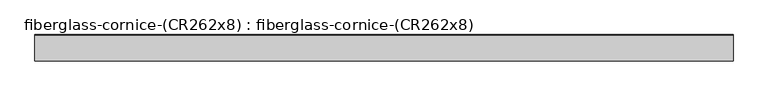
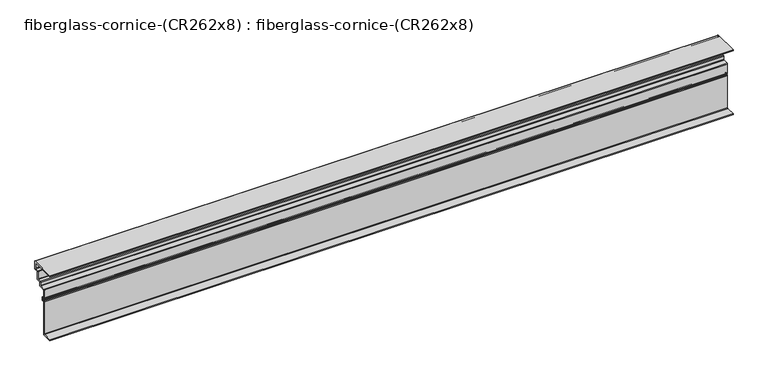
"""IFC4 building model written with IfcOpenShell, lengths in millimetres: furniture geometry, fiberglass-cornice-(CR262x8) : fiberglass-cornice-(CR262x8)."""

from ifc_helpers import new_model, si_unit, point, frame, frame_2d, origin, place, context, project, spatial, polyline, circle_curve, trimmed, segment, composite_curve, outline, extrude, source, transform, mapped, element, save


def fiberglass_cornice_cr262x8_fiberglass_cornice_cr262x8_18acdc97(model_context):
    return source(origin(), model_context, "Body", "SweptSolid", [
        extrude(outline(composite_curve([segment(polyline([(101.6, 323.8499904), (101.6, 330.1999904), (250.825, 330.1999904)]), True, "CONTINUOUS"), segment(trimmed(circle_curve(frame_2d((250.825, 327.0249904)), 3.175), [point((250.825, 330.1999904))], [point((254.0, 327.0249904))], False, "CARTESIAN"), True, "CONTINUOUS"), segment(polyline([(254.0, 327.0249904), (254.0, 282.5749904)]), True, "CONTINUOUS"), segment(trimmed(circle_curve(frame_2d((250.825, 282.5749904)), 3.175), [point((254.0, 282.5749904))], [point((250.825, 279.3999904))], False, "CARTESIAN"), True, "CONTINUOUS"), segment(polyline([(250.825, 279.3999904), (231.775, 279.3999904)]), True, "CONTINUOUS"), segment(trimmed(circle_curve(frame_2d((231.775, 276.2249904)), 3.175), [point((231.775, 279.3999904))], [point((228.6, 276.2249904))], True, "CARTESIAN"), True, "CONTINUOUS"), segment(polyline([(228.6, 276.2249904), (228.6, 231.7749904)]), True, "CONTINUOUS"), segment(trimmed(circle_curve(frame_2d((225.425, 231.7749904)), 3.175), [point((228.6, 231.7749904))], [point((225.425, 228.5999904))], False, "CARTESIAN"), True, "CONTINUOUS"), segment(polyline([(225.425, 228.5999904), (206.375, 228.5999904)]), True, "CONTINUOUS"), segment(trimmed(circle_curve(frame_2d((206.375, 225.4249904)), 3.175), [point((206.375, 228.5999904))], [point((203.2, 225.4249904))], True, "CARTESIAN"), True, "CONTINUOUS"), segment(polyline([(203.2, 225.4249904), (203.2, 206.3749904)]), True, "CONTINUOUS"), segment(trimmed(circle_curve(frame_2d((200.025, 206.3749904)), 3.175), [point((203.2, 206.3749904))], [point((200.025, 203.1999904))], False, "CARTESIAN"), True, "CONTINUOUS"), segment(polyline([(200.025, 203.1999904), (168.275, 203.1999904)]), True, "CONTINUOUS"), segment(trimmed(circle_curve(frame_2d((168.275, 200.0249904)), 3.175), [point((168.275, 203.1999904))], [point((165.1, 200.0249904))], True, "CARTESIAN"), True, "CONTINUOUS"), segment(polyline([(165.1, 200.0249904), (165.1, 155.5749904)]), True, "CONTINUOUS"), segment(trimmed(circle_curve(frame_2d((168.275, 155.5749904)), 3.175), [point((165.1, 155.5749904))], [point((168.275, 152.3999904))], True, "CARTESIAN"), True, "CONTINUOUS"), segment(polyline([(168.275, 152.3999904), (174.625, 152.3999904)]), True, "CONTINUOUS"), segment(trimmed(circle_curve(frame_2d((174.625, 149.2249904)), 3.175), [point((174.625, 152.3999904))], [point((177.8, 149.2249904))], False, "CARTESIAN"), True, "CONTINUOUS"), segment(polyline([(177.8, 149.2249904), (177.8, 133.3499904)]), True, "CONTINUOUS"), segment(trimmed(circle_curve(frame_2d((174.625, 133.3499904)), 3.175), [point((177.8, 133.3499904))], [point((174.625, 130.1749904))], False, "CARTESIAN"), True, "CONTINUOUS"), segment(polyline([(174.625, 130.1749904), (168.275, 130.1749904)]), True, "CONTINUOUS"), segment(trimmed(circle_curve(frame_2d((168.275, 126.9999904)), 3.175), [point((168.275, 130.1749904))], [point((165.1, 126.9999904))], True, "CARTESIAN"), True, "CONTINUOUS"), segment(polyline([(165.1, 126.9999904), (165.1, -73.0250096)]), True, "CONTINUOUS"), segment(trimmed(circle_curve(frame_2d((161.925, -73.0250096)), 3.175), [point((165.1, -73.0250096))], [point((161.925, -76.2000096))], False, "CARTESIAN"), True, "CONTINUOUS"), segment(polyline([(161.925, -76.2000096), (101.6, -76.2000096), (101.6, -69.8500096), (155.575, -69.8500096)]), True, "CONTINUOUS"), segment(trimmed(circle_curve(frame_2d((155.575, -66.6750096)), 3.175), [point((155.575, -69.8500096))], [point((158.75, -66.6750096))], True, "CARTESIAN"), True, "CONTINUOUS"), segment(polyline([(158.75, -66.6750096), (158.75, 133.3499904)]), True, "CONTINUOUS"), segment(trimmed(circle_curve(frame_2d((161.925, 133.3499904)), 3.175), [point((158.75, 133.3499904))], [point((161.925, 136.5249904))], False, "CARTESIAN"), True, "CONTINUOUS"), segment(polyline([(161.925, 136.5249904), (168.275, 136.5249904)]), True, "CONTINUOUS"), segment(trimmed(circle_curve(frame_2d((168.275, 139.6999904)), 3.175), [point((168.275, 136.5249904))], [point((171.45, 139.6999904))], True, "CARTESIAN"), True, "CONTINUOUS"), segment(polyline([(171.45, 139.6999904), (171.45, 142.8749904)]), True, "CONTINUOUS"), segment(trimmed(circle_curve(frame_2d((168.275, 142.8749904)), 3.175), [point((171.45, 142.8749904))], [point((168.275, 146.0499904))], True, "CARTESIAN"), True, "CONTINUOUS"), segment(polyline([(168.275, 146.0499904), (161.925, 146.0499904)]), True, "CONTINUOUS"), segment(trimmed(circle_curve(frame_2d((161.925, 149.2249904)), 3.175), [point((161.925, 146.0499904))], [point((158.75, 149.2249904))], False, "CARTESIAN"), True, "CONTINUOUS"), segment(polyline([(158.75, 149.2249904), (158.75, 206.3749904)]), True, "CONTINUOUS"), segment(trimmed(circle_curve(frame_2d((161.925, 206.3749904)), 3.175), [point((158.75, 206.3749904))], [point((161.925, 209.5499904))], False, "CARTESIAN"), True, "CONTINUOUS"), segment(polyline([(161.925, 209.5499904), (193.675, 209.5499904)]), True, "CONTINUOUS"), segment(trimmed(circle_curve(frame_2d((193.675, 212.7249904)), 3.175), [point((193.675, 209.5499904))], [point((196.85, 212.7249904))], True, "CARTESIAN"), True, "CONTINUOUS"), segment(polyline([(196.85, 212.7249904), (196.85, 231.7749904)]), True, "CONTINUOUS"), segment(trimmed(circle_curve(frame_2d((200.025, 231.7749904)), 3.175), [point((196.85, 231.7749904))], [point((200.025, 234.9499904))], False, "CARTESIAN"), True, "CONTINUOUS"), segment(polyline([(200.025, 234.9499904), (219.075, 234.9499904)]), True, "CONTINUOUS"), segment(trimmed(circle_curve(frame_2d((219.075, 238.1249904)), 3.175), [point((219.075, 234.9499904))], [point((222.25, 238.1249904))], True, "CARTESIAN"), True, "CONTINUOUS"), segment(polyline([(222.25, 238.1249904), (222.25, 282.5749904)]), True, "CONTINUOUS"), segment(trimmed(circle_curve(frame_2d((225.425, 282.5749904)), 3.175), [point((222.25, 282.5749904))], [point((225.425, 285.7499904))], False, "CARTESIAN"), True, "CONTINUOUS"), segment(polyline([(225.425, 285.7499904), (244.475, 285.7499904)]), True, "CONTINUOUS"), segment(trimmed(circle_curve(frame_2d((244.475, 288.9249904)), 3.175), [point((244.475, 285.7499904))], [point((247.65, 288.9249904))], True, "CARTESIAN"), True, "CONTINUOUS"), segment(polyline([(247.65, 288.9249904), (247.65, 320.6749904)]), True, "CONTINUOUS"), segment(trimmed(circle_curve(frame_2d((244.475, 320.6749904)), 3.175), [point((247.65, 320.6749904))], [point((244.475, 323.8499904))], True, "CARTESIAN"), True, "CONTINUOUS"), segment(polyline([(244.475, 323.8499904), (101.6, 323.8499904)]), True, "CONTINUOUS")], self_intersect=False)), frame((-2012.9498044, 0.0, 0.0), z_axis=(1.0, 0.0, 0.0), x_axis=(0.0, 1.0, 0.0)), (0.0, 0.0, 1.0), 4025.8996087),
    ])


if __name__ == "__main__":
    model = new_model("IFC4")
    model_context = context("Model", 3, world=origin())
    ifc_project = project(units=[si_unit("LENGTHUNIT", "METRE", prefix="MILLI")], contexts=[model_context])
    site = spatial("IfcSite", under=ifc_project)
    building = spatial("IfcBuilding", under=site)
    placement = place(None, origin())
    fiberglass_cornice_cr262x8_fiberglass_cornice_cr262x8_shape = fiberglass_cornice_cr262x8_fiberglass_cornice_cr262x8_18acdc97(model_context)
    element("IfcFurniture", 1, ObjectType="fiberglass-cornice-(CR262x8) : fiberglass-cornice-(CR262x8)", at=placement, inside=building, context=model_context, shape_type="MappedRepresentation", body=[
        mapped(fiberglass_cornice_cr262x8_fiberglass_cornice_cr262x8_shape, transform((0.0, 0.0, 0.0), x_axis=(1.0, 0.0, 0.0), y_axis=(0.0, 1.0, 0.0), z_axis=(0.0, 0.0, 1.0))),
    ])
    save(model, "model.ifc")
